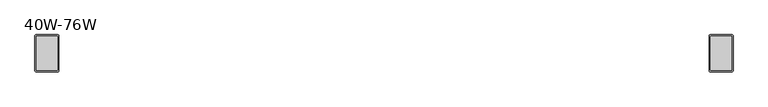
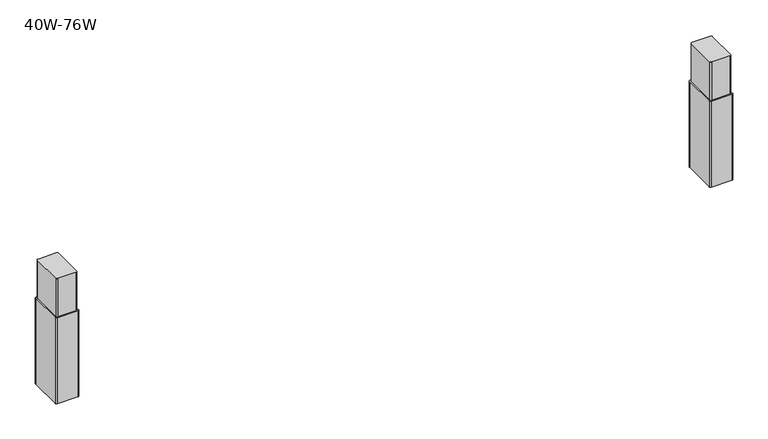
"""IFC4 building model written with IfcOpenShell, lengths in millimetres: furniture geometry, 40W-76W."""

from ifc_helpers import new_model, si_unit, point, frame, frame_2d, origin, place, context, project, spatial, polyline, circle_curve, trimmed, segment, composite_curve, outline, extrude, source, transform, mapped, element, save


def furniture_40w_76w_b18c4687(model_context):
    return source(origin(), model_context, "Body", "SweptSolid", [
        extrude(outline(composite_curve([segment(trimmed(circle_curve(frame_2d((69.2998367, -390.6064479)), 3.1081467), [point((69.2998367, -387.4983012))], [point((72.4079834, -390.6064479))], False, "CARTESIAN"), True, "CONTINUOUS"), segment(polyline([(72.4079834, -390.6064479), (72.4079834, -463.5418203)]), True, "CONTINUOUS"), segment(trimmed(circle_curve(frame_2d((69.2516856, -463.5418203)), 3.1562978), [point((72.4079834, -463.5418203))], [point((69.2516856, -466.6981181))], False, "CARTESIAN"), True, "CONTINUOUS"), segment(polyline([(69.2516856, -466.6981181), (26.2496846, -466.6981181)]), True, "CONTINUOUS"), segment(trimmed(circle_curve(frame_2d((26.2496846, -463.6501181)), 3.048), [point((26.2496846, -466.6981181))], [point((23.2016846, -463.6501181))], False, "CARTESIAN"), True, "CONTINUOUS"), segment(polyline([(23.2016846, -463.6501181), (23.2016846, -390.5840112)]), True, "CONTINUOUS"), segment(trimmed(circle_curve(frame_2d((26.2873946, -390.5840112)), 3.08571), [point((23.2016846, -390.5840112))], [point((26.2873946, -387.4983012))], False, "CARTESIAN"), True, "CONTINUOUS"), segment(polyline([(26.2873946, -387.4983012), (69.2998367, -387.4983012)]), True, "CONTINUOUS")], self_intersect=False)), frame((0.0, 0.0, 580.9889678), z_axis=(0.0, 0.0, 1.0), x_axis=(1.0, 0.0, 0.0)), (0.0, 0.0, 1.0), 94.3380843),
        extrude(outline(composite_curve([segment(polyline([(1556.3001633, -387.4983012), (1599.3126054, -387.4983012)]), True, "CONTINUOUS"), segment(trimmed(circle_curve(frame_2d((1599.3126054, -390.5840112)), 3.08571), [point((1599.3126054, -387.4983012))], [point((1602.3983154, -390.5840112))], False, "CARTESIAN"), True, "CONTINUOUS"), segment(polyline([(1602.3983154, -390.5840112), (1602.3983154, -463.6501181)]), True, "CONTINUOUS"), segment(trimmed(circle_curve(frame_2d((1599.3503154, -463.6501181)), 3.048), [point((1602.3983154, -463.6501181))], [point((1599.3503154, -466.6981181))], False, "CARTESIAN"), True, "CONTINUOUS"), segment(polyline([(1599.3503154, -466.6981181), (1556.3483144, -466.6981181)]), True, "CONTINUOUS"), segment(trimmed(circle_curve(frame_2d((1556.3483144, -463.5418203)), 3.1562978), [point((1556.3483144, -466.6981181))], [point((1553.1920166, -463.5418203))], False, "CARTESIAN"), True, "CONTINUOUS"), segment(polyline([(1553.1920166, -463.5418203), (1553.1920166, -390.6064479)]), True, "CONTINUOUS"), segment(trimmed(circle_curve(frame_2d((1556.3001633, -390.6064479)), 3.1081467), [point((1553.1920166, -390.6064479))], [point((1556.3001633, -387.4983012))], False, "CARTESIAN"), True, "CONTINUOUS")], self_intersect=False)), frame((0.0, 0.0, 580.9889678), z_axis=(0.0, 0.0, 1.0), x_axis=(1.0, 0.0, 0.0)), (0.0, 0.0, 1.0), 94.3380843),
        extrude(outline(composite_curve([segment(trimmed(circle_curve(frame_2d((72.1342062, -387.7674275)), 2.971287), [point((72.1342062, -384.7961405))], [point((75.1054932, -387.7674275))], False, "CARTESIAN"), True, "CONTINUOUS"), segment(polyline([(75.1054932, -387.7674275), (75.1054932, -466.4761685)]), True, "CONTINUOUS"), segment(trimmed(circle_curve(frame_2d((72.1813829, -466.4761685)), 2.9241102), [point((75.1054932, -466.4761685))], [point((72.1813829, -469.4002787))], False, "CARTESIAN"), True, "CONTINUOUS"), segment(polyline([(72.1813829, -469.4002787), (23.6281643, -469.4002787)]), True, "CONTINUOUS"), segment(trimmed(circle_curve(frame_2d((23.6281643, -466.2762892)), 3.1239895), [point((23.6281643, -469.4002787))], [point((20.5041748, -466.2762892))], False, "CARTESIAN"), True, "CONTINUOUS"), segment(polyline([(20.5041748, -466.2762892), (20.5041748, -387.8485567)]), True, "CONTINUOUS"), segment(trimmed(circle_curve(frame_2d((23.556591, -387.8485567)), 3.0524162), [point((20.5041748, -387.8485567))], [point((23.556591, -384.7961405))], False, "CARTESIAN"), True, "CONTINUOUS"), segment(polyline([(23.556591, -384.7961405), (72.1342062, -384.7961405)]), True, "CONTINUOUS")], self_intersect=False)), frame((0.0, 0.0, 368.3), z_axis=(0.0, 0.0, 1.0), x_axis=(1.0, 0.0, 0.0)), (0.0, 0.0, 1.0), 212.6889678),
        extrude(outline(composite_curve([segment(polyline([(1553.4657938, -384.7961405), (1602.043409, -384.7961405)]), True, "CONTINUOUS"), segment(trimmed(circle_curve(frame_2d((1602.043409, -387.8485567)), 3.0524162), [point((1602.043409, -384.7961405))], [point((1605.0958252, -387.8485567))], False, "CARTESIAN"), True, "CONTINUOUS"), segment(polyline([(1605.0958252, -387.8485567), (1605.0958252, -466.2762892)]), True, "CONTINUOUS"), segment(trimmed(circle_curve(frame_2d((1601.9718357, -466.2762892)), 3.1239895), [point((1605.0958252, -466.2762892))], [point((1601.9718357, -469.4002787))], False, "CARTESIAN"), True, "CONTINUOUS"), segment(polyline([(1601.9718357, -469.4002787), (1553.4186171, -469.4002787)]), True, "CONTINUOUS"), segment(trimmed(circle_curve(frame_2d((1553.4186171, -466.4761685)), 2.9241102), [point((1553.4186171, -469.4002787))], [point((1550.4945068, -466.4761685))], False, "CARTESIAN"), True, "CONTINUOUS"), segment(polyline([(1550.4945068, -466.4761685), (1550.4945068, -387.7674275)]), True, "CONTINUOUS"), segment(trimmed(circle_curve(frame_2d((1553.4657938, -387.7674275)), 2.971287), [point((1550.4945068, -387.7674275))], [point((1553.4657938, -384.7961405))], False, "CARTESIAN"), True, "CONTINUOUS")], self_intersect=False)), frame((0.0, 0.0, 368.3), z_axis=(0.0, 0.0, 1.0), x_axis=(1.0, 0.0, 0.0)), (0.0, 0.0, 1.0), 212.6889678),
    ])


if __name__ == "__main__":
    model = new_model("IFC4")
    model_context = context("Model", 3, world=origin())
    ifc_project = project(units=[si_unit("LENGTHUNIT", "METRE", prefix="MILLI")], contexts=[model_context])
    site = spatial("IfcSite", under=ifc_project)
    building = spatial("IfcBuilding", under=site)
    placement = place(None, origin())
    furniture_40w_76w_shape = furniture_40w_76w_b18c4687(model_context)
    element("IfcFurniture", 1, ObjectType="40W-76W", at=placement, inside=building, context=model_context, shape_type="MappedRepresentation", body=[
        mapped(furniture_40w_76w_shape, transform((0.0, 0.0, 0.0), x_axis=(1.0, 0.0, 0.0), y_axis=(0.0, 1.0, 0.0), z_axis=(0.0, 0.0, 1.0))),
    ])
    save(model, "model.ifc")
